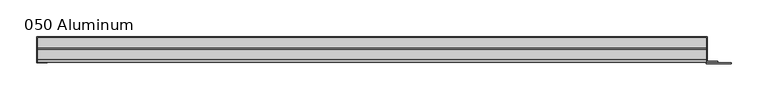
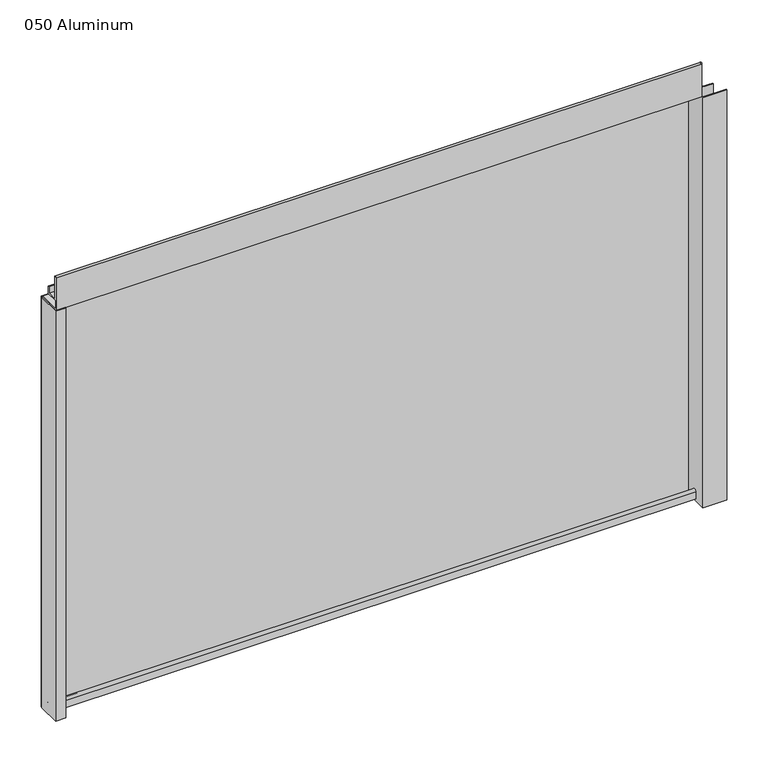
"""IFC4 building model written with IfcOpenShell, lengths in millimetres: plate geometry, 050 Aluminum."""

from ifc_helpers import new_model, si_unit, point, frame, frame_2d, origin, origin_with_axes, place, context, project, spatial, polyline, circle_curve, trimmed, segment, composite_curve, outline, extrude, source, transform, mapped, element, save


def plate_050_aluminum_d622fe3a(model_context):
    return source(origin(), model_context, "Body", "SweptSolid", [
        extrude(outline(polyline([(-459.105, 2.5660257), (-446.2144994, 2.5660257), (-446.2144994, 1.2699999), (-460.3749999, 1.2699999), (-460.3749999, 34.7980001), (-459.105, 34.7980001), (-459.105, 2.5660257)])), origin_with_axes(), (0.0, 0.0, 1.0), 608.33),
        extrude(outline(composite_curve([segment(trimmed(circle_curve(frame_2d((19.8514743, 13.124237)), 3.175), [point((16.6765477, 13.1458337))], [point((23.0264743, 13.124237))], False, "CARTESIAN"), True, "CONTINUOUS"), segment(polyline([(23.0264743, 13.124237), (23.0264743, 1.2693678), (34.7980002, 1.2693678), (34.7980002, 0.0), (21.7564743, 0.0), (21.7564743, 13.124237)]), True, "CONTINUOUS"), segment(trimmed(circle_curve(frame_2d((19.8514743, 13.124237)), 1.905), [point((21.7564743, 13.124237))], [point((17.9464915, 13.1323356))], True, "CARTESIAN"), True, "CONTINUOUS"), segment(polyline([(17.9464915, 13.1323356), (17.9464915, 2.786437), (16.6765477, 2.786437), (16.6765477, 13.1458337)]), True, "CONTINUOUS")], self_intersect=False)), frame((-459.105, 0.0, 0.0), z_axis=(1.0, 0.0, 0.0), x_axis=(0.0, 1.0, 0.0)), (0.0, 0.0, 1.0), 905.51),
        extrude(outline(composite_curve([segment(trimmed(circle_curve(frame_2d((3.7084742, 656.7932001)), 1.6509999), [point((2.0574743, 656.7932001))], [point((5.3594742, 656.7932001))], False, "CARTESIAN"), True, "CONTINUOUS"), segment(polyline([(5.3594742, 656.7932001), (5.3594742, 623.57), (19.2164743, 623.57), (19.2164743, 633.6538), (20.4864742, 633.6538), (20.4864742, 622.3), (4.0894742, 622.3), (4.0894742, 656.7932001)]), True, "CONTINUOUS"), segment(trimmed(circle_curve(frame_2d((3.7084742, 656.7932001)), 0.3809999), [point((4.0894742, 656.7932001))], [point((3.3274743, 656.7932001))], True, "CARTESIAN"), True, "CONTINUOUS"), segment(polyline([(3.3274743, 656.7932001), (3.3274743, 609.6000001), (34.7980002, 609.6000001), (34.7980002, 608.33), (2.0574743, 608.33), (2.0574743, 656.7932001)]), True, "CONTINUOUS")], self_intersect=False)), frame((-459.105, 0.0, 0.0), z_axis=(1.0, 0.0, 0.0), x_axis=(0.0, 1.0, 0.0)), (0.0, 0.0, 1.0), 905.51),
        extrude(outline(polyline([(-460.375, 36.068), (447.675, 36.068), (447.675, 34.7980001), (-460.375, 34.7980001), (-460.375, 36.068)])), origin_with_axes(), (0.0, 0.0, 1.0), 609.6),
        extrude(outline(polyline([(447.675, 1.2699999), (480.1870856, 1.2699999), (480.1870856, 0.0), (446.4050001, 0.0), (446.4050001, 34.7980002), (447.675, 34.7980002), (447.675, 1.2699999)])), origin_with_axes(), (0.0, 0.0, 1.0), 608.33),
        extrude(outline(polyline([(446.405, 3.3274743), (462.1529999, 3.3274743), (462.1529999, 2.0574743), (446.405, 2.0574743), (446.405, 3.3274743)])), origin_with_axes(), (0.0, 0.0, 1.0), 622.3),
    ])


if __name__ == "__main__":
    model = new_model("IFC4")
    model_context = context("Model", 3, world=origin())
    ifc_project = project(units=[si_unit("LENGTHUNIT", "METRE", prefix="MILLI")], contexts=[model_context])
    site = spatial("IfcSite", under=ifc_project)
    building = spatial("IfcBuilding", under=site)
    placement = place(None, origin())
    plate_050_aluminum_shape = plate_050_aluminum_d622fe3a(model_context)
    element("IfcPlate", 1, ObjectType="050 Aluminum", at=placement, inside=building, context=model_context, shape_type="MappedRepresentation", body=[
        mapped(plate_050_aluminum_shape, transform((0.0, 0.0, 0.0), x_axis=(1.0, 0.0, 0.0), y_axis=(0.0, 1.0, 0.0), z_axis=(0.0, 0.0, 1.0))),
    ])
    save(model, "model.ifc")
